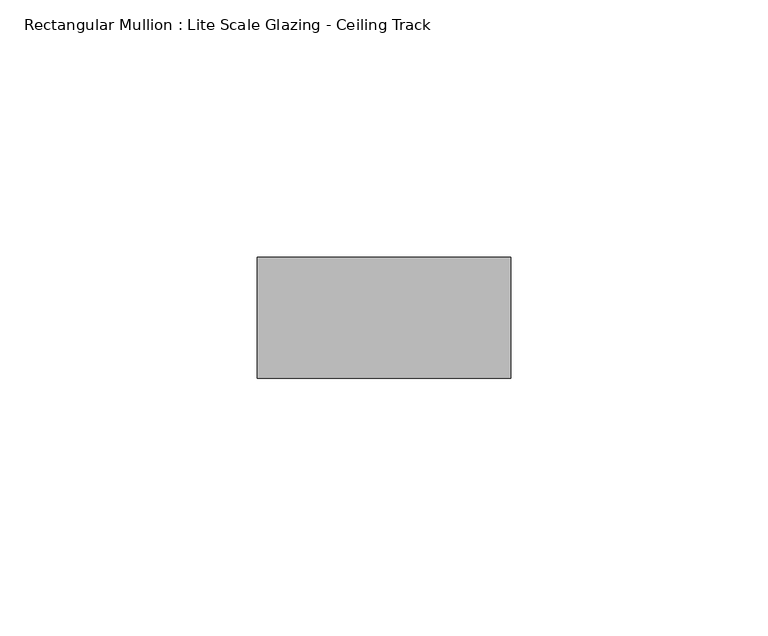
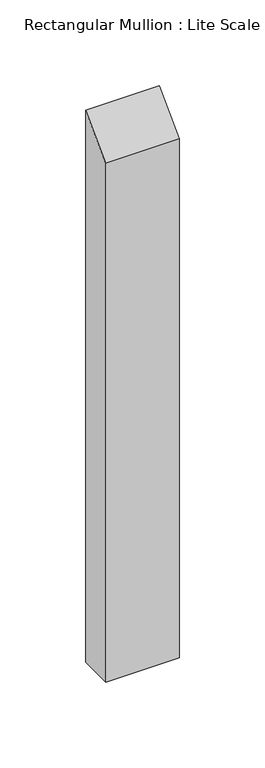
"""IFC4 building model written with IfcOpenShell, lengths in millimetres: member geometry, Rectangular Mullion : Lite Scale Glazing - Ceiling Track."""

from ifc_helpers import new_model, si_unit, frame, origin, place, context, project, spatial, polyline, outline, extrude, source, transform, mapped, element, save


def rectangular_mullion_lite_scale_glazing_ceiling_track_25a5e3f9(model_context):
    return source(origin(), model_context, "Body", "SweptSolid", [
        extrude(outline(polyline([(-11.7474999, -11.7474999), (11.7474999, 11.7474999), (11.7474999, -381.0817126), (-11.7474999, -381.0817126), (-11.7474999, -11.7474999)])), frame((-49.276, 0.0, 0.0), z_axis=(1.0, 0.0, 0.0), x_axis=(0.0, 1.0, 0.0)), (0.0, 0.0, 1.0), 49.276),
    ])


if __name__ == "__main__":
    model = new_model("IFC4")
    model_context = context("Model", 3, world=origin())
    ifc_project = project(units=[si_unit("LENGTHUNIT", "METRE", prefix="MILLI")], contexts=[model_context])
    site = spatial("IfcSite", under=ifc_project)
    building = spatial("IfcBuilding", under=site)
    placement = place(None, origin())
    rectangular_mullion_lite_scale_glazing_ceiling_track_shape = rectangular_mullion_lite_scale_glazing_ceiling_track_25a5e3f9(model_context)
    element("IfcMember", 1, ObjectType="Rectangular Mullion : Lite Scale Glazing - Ceiling Track", at=placement, inside=building, context=model_context, shape_type="MappedRepresentation", body=[
        mapped(rectangular_mullion_lite_scale_glazing_ceiling_track_shape, transform((0.0, 0.0, 0.0), x_axis=(1.0, 0.0, 0.0), y_axis=(0.0, 1.0, 0.0), z_axis=(0.0, 0.0, 1.0))),
    ])
    save(model, "model.ifc")
